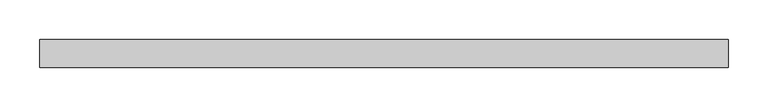
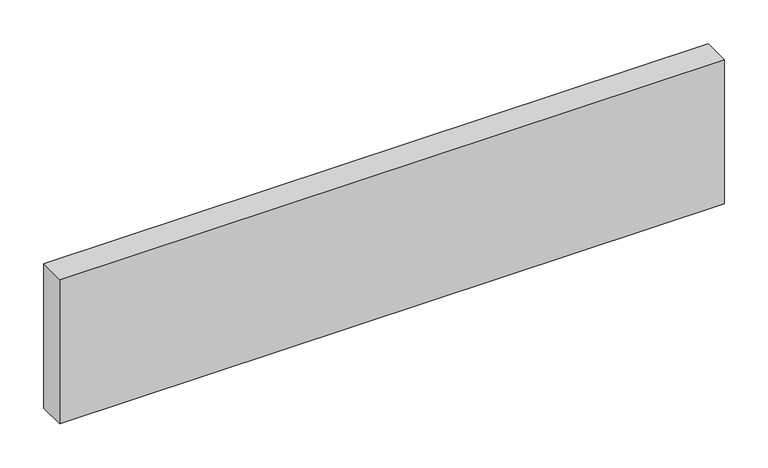
"""IFC4 building model written with IfcOpenShell, lengths in millimetres: beam geometry."""

from ifc_helpers import new_model, si_unit, frame, origin, place, context, project, spatial, polyline, outline, extrude, source, transform, mapped, element, save


def beam_77dd4a1d(model_context):
    return source(origin(), model_context, "Body", "SweptSolid", [
        extrude(outline(polyline([(436.0, -18.0), (-436.0, -18.0), (-436.0, 18.0), (436.0, 18.0), (436.0, -18.0)])), frame((0.0, 0.0, -100.0), z_axis=(0.0, 0.0, 1.0), x_axis=(1.0, 0.0, 0.0)), (0.0, 0.0, 1.0), 200.0),
    ])


if __name__ == "__main__":
    model = new_model("IFC4")
    model_context = context("Model", 3, world=origin())
    ifc_project = project(units=[si_unit("LENGTHUNIT", "METRE", prefix="MILLI")], contexts=[model_context])
    site = spatial("IfcSite", under=ifc_project)
    building = spatial("IfcBuilding", under=site)
    placement = place(None, origin())
    beam_shape = beam_77dd4a1d(model_context)
    element("IfcBeam", 1, at=placement, inside=building, context=model_context, shape_type="MappedRepresentation", body=[
        mapped(beam_shape, transform((0.0, 0.0, 0.0), x_axis=(1.0, 0.0, 0.0), y_axis=(0.0, 1.0, 0.0), z_axis=(0.0, 0.0, 1.0))),
    ])
    save(model, "model.ifc")
